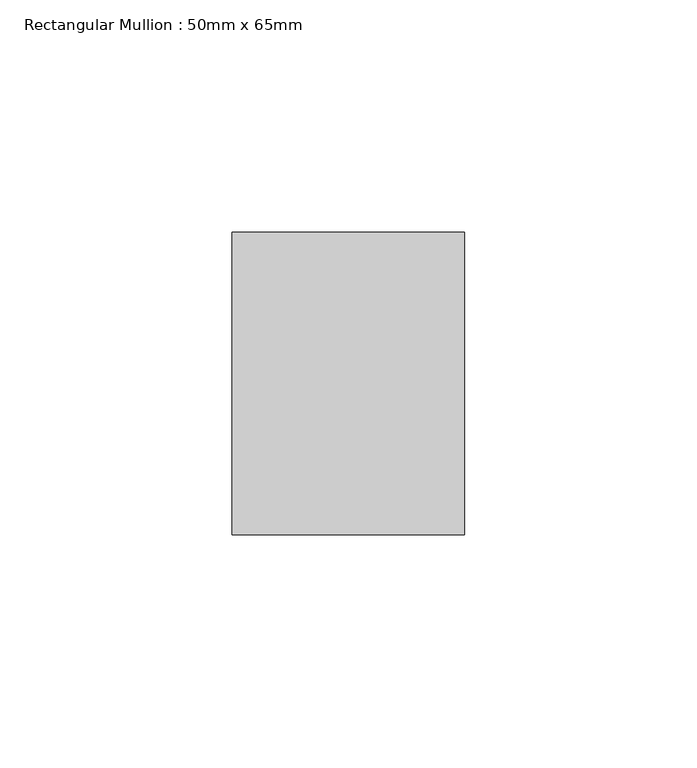
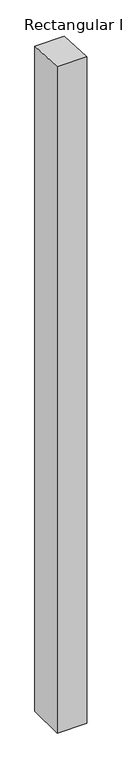
"""IFC4 building model written with IfcOpenShell, lengths in millimetres: member geometry, Rectangular Mullion : 50mm x 65mm."""

from ifc_helpers import new_model, si_unit, frame, origin, place, context, project, spatial, polyline, outline, extrude, source, transform, mapped, element, save


def rectangular_mullion_50mm_x_65mm_19e7cac2(model_context):
    return source(origin(), model_context, "Body", "SweptSolid", [
        extrude(outline(polyline([(-32.5, 1.2410912), (32.5, -1.2410912), (32.5, -1189.1179597), (-32.5, -1189.1179597), (-32.5, 1.2410912)])), frame((-25.0, 0.0, 0.0), z_axis=(1.0, 0.0, 0.0), x_axis=(0.0, 1.0, 0.0)), (0.0, 0.0, 1.0), 50.0),
    ])


if __name__ == "__main__":
    model = new_model("IFC4")
    model_context = context("Model", 3, world=origin())
    ifc_project = project(units=[si_unit("LENGTHUNIT", "METRE", prefix="MILLI")], contexts=[model_context])
    site = spatial("IfcSite", under=ifc_project)
    building = spatial("IfcBuilding", under=site)
    placement = place(None, origin())
    rectangular_mullion_50mm_x_65mm_shape = rectangular_mullion_50mm_x_65mm_19e7cac2(model_context)
    element("IfcMember", 1, ObjectType="Rectangular Mullion : 50mm x 65mm", at=placement, inside=building, context=model_context, shape_type="MappedRepresentation", body=[
        mapped(rectangular_mullion_50mm_x_65mm_shape, transform((0.0, 0.0, 0.0), x_axis=(1.0, 0.0, 0.0), y_axis=(0.0, 1.0, 0.0), z_axis=(0.0, 0.0, 1.0))),
    ])
    save(model, "model.ifc")
